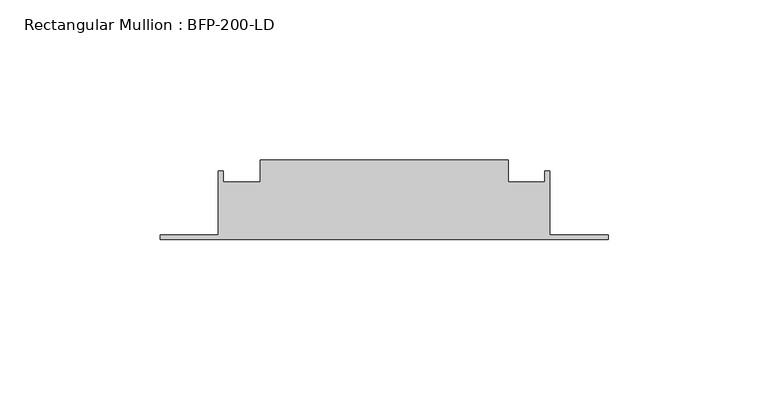
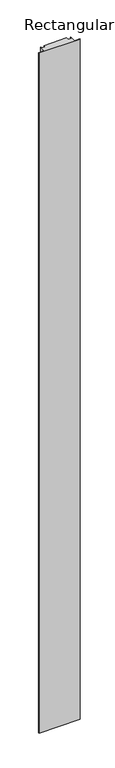
"""IFC4 building model written with IfcOpenShell, lengths in millimetres: member geometry, Rectangular Mullion : BFP-200-LD."""

from ifc_helpers import new_model, si_unit, frame, origin, place, context, project, spatial, polyline, outline, extrude, source, transform, mapped, element, save


def rectangular_mullion_bfp_200_ld_beb4c793(model_context):
    return source(origin(), model_context, "Body", "SweptSolid", [
        extrude(outline(polyline([(-31.25, 45.0), (-31.25, 38.0), (-19.75, 38.0), (-19.75, 41.5), (-18.25, 41.5), (-18.25, 21.5), (0.0, 21.5), (0.0, 20.0), (-140.0, 20.0), (-140.0, 21.5), (-121.75, 21.5), (-121.75, 41.5), (-120.25, 41.5), (-120.25, 38.0), (-108.75, 38.0), (-108.75, 45.0), (-31.25, 45.0)])), frame((0.0, 0.0, -2440.0), z_axis=(0.0, 0.0, 1.0), x_axis=(1.0, 0.0, 0.0)), (0.0, 0.0, 1.0), 2440.0),
    ])


if __name__ == "__main__":
    model = new_model("IFC4")
    model_context = context("Model", 3, world=origin())
    ifc_project = project(units=[si_unit("LENGTHUNIT", "METRE", prefix="MILLI")], contexts=[model_context])
    site = spatial("IfcSite", under=ifc_project)
    building = spatial("IfcBuilding", under=site)
    placement = place(None, origin())
    rectangular_mullion_bfp_200_ld_shape = rectangular_mullion_bfp_200_ld_beb4c793(model_context)
    element("IfcMember", 1, ObjectType="Rectangular Mullion : BFP-200-LD", at=placement, inside=building, context=model_context, shape_type="MappedRepresentation", body=[
        mapped(rectangular_mullion_bfp_200_ld_shape, transform((0.0, 0.0, 0.0), x_axis=(1.0, 0.0, 0.0), y_axis=(0.0, 1.0, 0.0), z_axis=(0.0, 0.0, 1.0))),
    ])
    save(model, "model.ifc")
